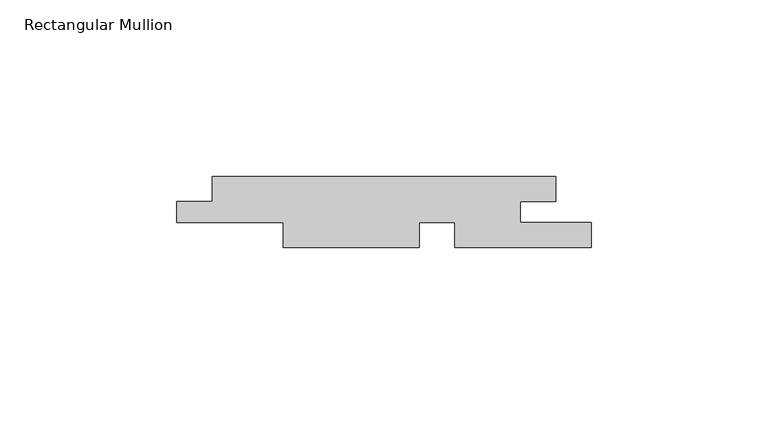
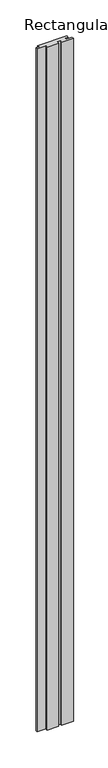
"""IFC4 building model written with IfcOpenShell, lengths in millimetres: member geometry, Rectangular Mullion."""

from ifc_helpers import new_model, si_unit, frame, origin, place, context, project, spatial, polyline, outline, extrude, source, transform, mapped, element, save


def rectangular_mullion_0190e41d(model_context):
    return source(origin(), model_context, "Body", "SweptSolid", [
        extrude(outline(polyline([(-117.0, -7.0), (-107.0288065, -7.0), (-107.0288065, 0.0), (-10.0, 0.0), (-10.0, -7.0), (-20.0, -7.0), (-20.0, -13.0), (0.0, -13.0), (0.0, -20.0), (-38.5288065, -20.0), (-38.5288065, -13.0), (-48.5288065, -13.0), (-48.5288065, -20.0), (-87.0288065, -20.0), (-87.0288065, -13.0), (-117.0, -13.0), (-117.0, -7.0)])), frame((0.0, 0.0, -2400.0), z_axis=(0.0, 0.0, 1.0), x_axis=(1.0, 0.0, 0.0)), (0.0, 0.0, 1.0), 2400.0),
    ])


if __name__ == "__main__":
    model = new_model("IFC4")
    model_context = context("Model", 3, world=origin())
    ifc_project = project(units=[si_unit("LENGTHUNIT", "METRE", prefix="MILLI")], contexts=[model_context])
    site = spatial("IfcSite", under=ifc_project)
    building = spatial("IfcBuilding", under=site)
    placement = place(None, origin())
    rectangular_mullion_shape = rectangular_mullion_0190e41d(model_context)
    element("IfcMember", 1, ObjectType="Rectangular Mullion", at=placement, inside=building, context=model_context, shape_type="MappedRepresentation", body=[
        mapped(rectangular_mullion_shape, transform((0.0, 0.0, 0.0), x_axis=(1.0, 0.0, 0.0), y_axis=(0.0, 1.0, 0.0), z_axis=(0.0, 0.0, 1.0))),
    ])
    save(model, "model.ifc")
